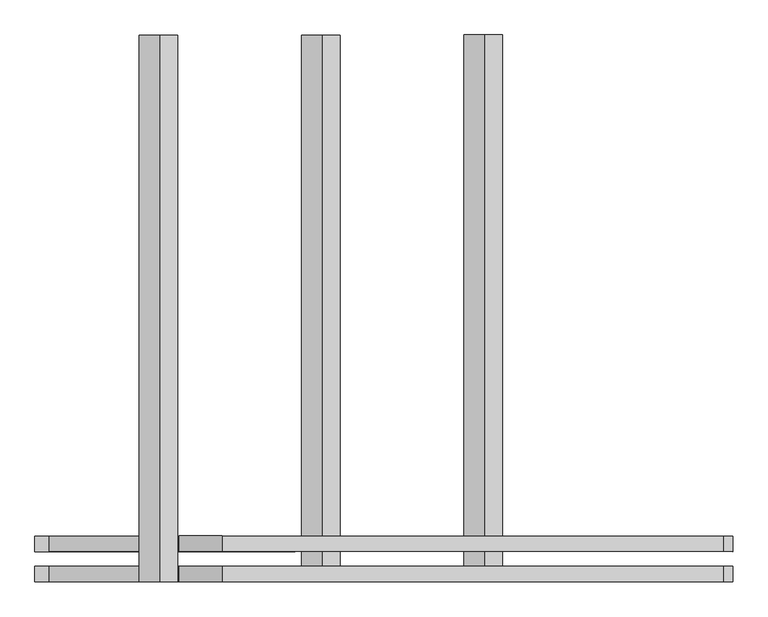
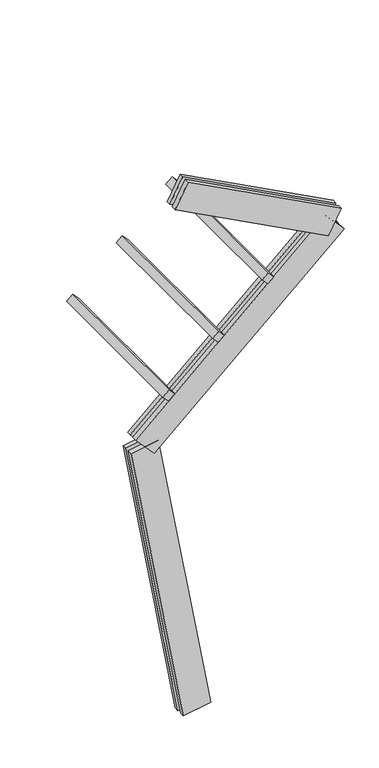
"""IFC4 building model written with IfcOpenShell, lengths in millimetres: proxy geometry."""

from ifc_helpers import new_model, si_unit, frame, origin, place, context, project, spatial, polyline, outline, extrude, source, transform, mapped, element, save


def generic_models_16a52d71(model_context):
    return source(origin(), model_context, "Body", "SweptSolid", [
        extrude(outline(polyline([(1500.0, 0.0), (0.0, 0.0), (0.0, 74.9999999), (1500.0, 74.9999999), (1500.0, 0.0)])), frame((-199.4976134, -62.5, 3069.7110743), z_axis=(-0.6691306063588579, 0.0, 0.7431448254773947), x_axis=(0.0, 1.0, 0.0)), (0.0, 0.0, 1.0), 75.0),
        extrude(outline(polyline([(1500.0, 0.0), (0.0, 0.0), (0.0, 75.0), (1500.0, 75.0), (1500.0, 0.0)])), frame((246.3892819, -62.5, 3471.1894382), z_axis=(-0.6691306063588579, 0.0, 0.7431448254773947), x_axis=(0.0, 1.0, 0.0)), (0.0, 0.0, 1.0), 75.0),
        extrude(outline(polyline([(1500.0, 0.0), (0.0, 0.0), (0.0, 75.0), (1500.0, 75.0), (1500.0, 0.0)])), frame((692.2761772, -62.5, 3872.667802), z_axis=(-0.6691306063588579, 0.0, 0.7431448254773947), x_axis=(0.0, 1.0, 0.0)), (0.0, 0.0, 1.0), 75.0),
        extrude(outline(polyline([(1559.9999999, 125.0), (1559.9999999, 82.5), (0.0, 82.5), (0.0, 125.0), (1559.9999999, 125.0)])), frame((1181.6990735, 62.5, 4087.6128787), z_axis=(0.46947156278589286, 0.0, 0.8829475928589259), x_axis=(-0.8829475928589259, 0.0, 0.46947156278589286)), (0.0, 0.0, 1.0), 250.0),
        extrude(outline(polyline([(0.0, 0.0), (0.0, 42.5), (1559.9999999, 42.5), (1559.9999999, 0.0), (0.0, 0.0)])), frame((1181.6990735, 62.5, 4087.6128787), z_axis=(0.46947156278589286, 0.0, 0.8829475928589259), x_axis=(-0.8829475928589259, 0.0, 0.46947156278589286)), (0.0, 0.0, 1.0), 250.0),
        extrude(outline(polyline([(2300.0000001, 125.0), (2300.0000001, 82.5), (0.0, 82.5), (0.0, 125.0), (2300.0000001, 125.0)])), frame((1324.0243447, 62.5, 4105.0882246), z_axis=(-0.6691306063588579, 0.0, 0.7431448254773947), x_axis=(-0.7431448254773947, 0.0, -0.6691306063588579)), (0.0, 0.0, 1.0), 250.0),
        extrude(outline(polyline([(0.0, 0.0), (0.0, 42.5), (2300.0000001, 42.5), (2300.0000001, 0.0), (0.0, 0.0)])), frame((1324.0243447, 62.5, 4105.0882246), z_axis=(-0.6691306063588579, 0.0, 0.7431448254773947), x_axis=(-0.7431448254773947, 0.0, -0.6691306063588579)), (0.0, 0.0, 1.0), 250.0),
        extrude(outline(polyline([(-125.0, 249.9999999), (-82.5, 249.9999999), (-82.5, 0.0), (-125.0, 0.0), (-125.0, 249.9999999)])), frame((123.1009691, 62.5, 21.7060222), z_axis=(-0.17364817766693158, 0.0, 0.9848077530122079), x_axis=(0.0, 1.0, 0.0)), (0.0, 0.0, 1.0), 2700.0),
        extrude(outline(polyline([(0.0, 0.0), (-42.5, 0.0), (-42.5, 249.9999999), (0.0, 249.9999999), (0.0, 0.0)])), frame((123.1009691, 62.5, 21.7060222), z_axis=(-0.17364817766693158, 0.0, 0.9848077530122079), x_axis=(0.0, 1.0, 0.0)), (0.0, 0.0, 1.0), 2700.0),
    ])


if __name__ == "__main__":
    model = new_model("IFC4")
    model_context = context("Model", 3, world=origin())
    ifc_project = project(units=[si_unit("LENGTHUNIT", "METRE", prefix="MILLI")], contexts=[model_context])
    site = spatial("IfcSite", under=ifc_project)
    building = spatial("IfcBuilding", under=site)
    placement = place(None, origin())
    generic_models_shape = generic_models_16a52d71(model_context)
    element("IfcBuildingElementProxy", 1, Name="Generic Models", at=placement, inside=building, context=model_context, shape_type="MappedRepresentation", body=[
        mapped(generic_models_shape, transform((0.0, 0.0, 0.0), x_axis=(1.0, 0.0, 0.0), y_axis=(0.0, 1.0, 0.0), z_axis=(0.0, 0.0, 1.0))),
    ])
    save(model, "model.ifc")
